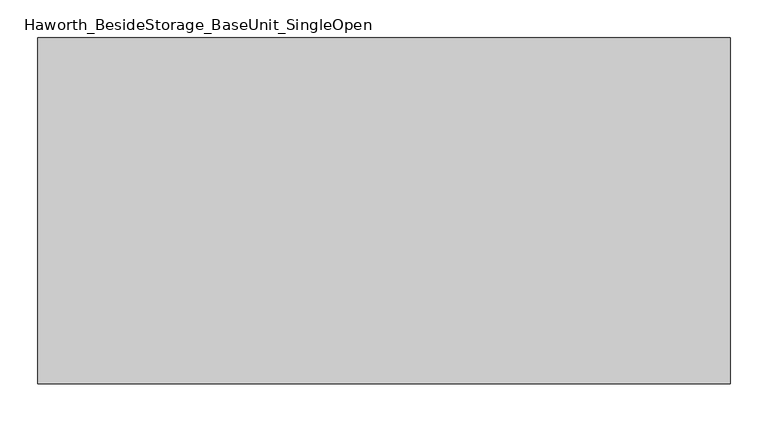
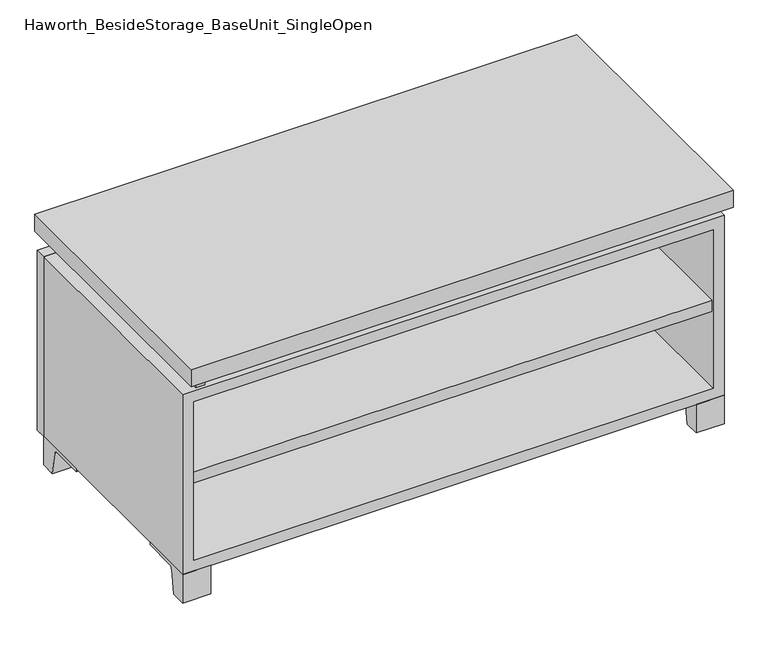
"""IFC4 building model written with IfcOpenShell, lengths in millimetres: furniture geometry, Haworth_BesideStorage_BaseUnit_SingleOpen."""

import ifcopenshell
import ifcopenshell.guid

model = None  # the IFC model being written
_history = None  # IfcOwnerHistory: only IFC2X3 demands one
_inside = {}  # id of a spatial element -> (the spatial element, [elements in it])
_under = {}  # id of a project, library or spatial element -> (it, [spatial elements below it])
_declared = {}  # id of a project -> (the project, [libraries it declares])
_typed = {}  # id of a type object -> (the type object, [elements of that type])
_made_of = {}  # id of a material, layer set ... -> (it, [elements and type objects made of it])


def new_model(schema):
    """Start an empty IFC model of exactly this schema.

    Asked for "IFC4X3", IfcOpenShell would pick the latest addendum, in which some entities
    have other attributes; the version numbers below select the first issue.
    IFC2X3 requires an IfcOwnerHistory on every rooted entity: one is made here for all.
    """
    global model, _history
    if schema == "IFC4X3":
        model = ifcopenshell.file(schema_version=(4, 3, 0, 0))
    else:
        model = ifcopenshell.file(schema=schema)
    _inside.clear()
    _under.clear()
    _declared.clear()
    _typed.clear()
    _made_of.clear()
    _history = None
    if model.schema == "IFC2X3":
        org = make("IfcOrganization", Name="unknown")
        user = make(
            "IfcPersonAndOrganization",
            ThePerson=make("IfcPerson", FamilyName="unknown"),
            TheOrganization=org,
        )
        app = make(
            "IfcApplication",
            ApplicationDeveloper=org,
            Version="unknown",
            ApplicationFullName="unknown",
            ApplicationIdentifier="unknown",
        )
        _history = make(
            "IfcOwnerHistory",
            OwningUser=user,
            OwningApplication=app,
            ChangeAction="ADDED",
            CreationDate=0,
        )
    return model


def make(cls, **values):
    """One entity of the class cls with the attributes given. An attribute that is None is left unset."""
    return model.create_entity(
        cls, **{name: value for name, value in values.items() if value is not None}
    )


def rooted(cls, **values):
    """An entity with a GlobalId (a new one), such as an element, a storey or a relation."""
    return make(cls, GlobalId=ifcopenshell.guid.new(), OwnerHistory=_history, **values)


def si_unit(unit_type, name, prefix=None):
    """IfcSIUnit, for example si_unit("LENGTHUNIT", "METRE", prefix="MILLI")."""
    return make("IfcSIUnit", UnitType=unit_type, Prefix=prefix, Name=name)


def assignment(units):
    """IfcUnitAssignment: the units of a project."""
    return None if units is None else make("IfcUnitAssignment", Units=units)


def point(xyz):
    """IfcCartesianPoint."""
    return None if xyz is None else make("IfcCartesianPoint", Coordinates=xyz)


def direction(xyz):
    """IfcDirection."""
    return None if xyz is None else make("IfcDirection", DirectionRatios=xyz)


def frame(location, z_axis=None, x_axis=None):
    """IfcAxis2Placement3D, a coordinate frame: its origin and axes. An axis left out is left unset."""
    return make(
        "IfcAxis2Placement3D",
        Location=point(location),
        Axis=direction(z_axis),
        RefDirection=direction(x_axis),
    )


def frame_2d(location, x_axis=None):
    """IfcAxis2Placement2D, a coordinate frame in the plane: its origin and x axis."""
    return make(
        "IfcAxis2Placement2D", Location=point(location), RefDirection=direction(x_axis)
    )


def origin():
    """The frame at (0, 0, 0) with its axes left unset."""
    return frame((0.0, 0.0, 0.0))


def place(relative_to, where):
    """IfcLocalPlacement: puts the frame where relative to a parent placement (None: the world)."""
    return make(
        "IfcLocalPlacement", PlacementRelTo=relative_to, RelativePlacement=where
    )


def context(
    kind, dimensions, precision=None, world=None, true_north=None, identifier=None
):
    """IfcGeometricRepresentationContext, for example the 3D "Model" context."""
    return make(
        "IfcGeometricRepresentationContext",
        ContextIdentifier=identifier,
        ContextType=kind,
        CoordinateSpaceDimension=dimensions,
        Precision=precision,
        WorldCoordinateSystem=world,
        TrueNorth=true_north,
    )


def project(units=None, contexts=None):
    """IfcProject with its units and contexts."""
    return rooted(
        "IfcProject",
        Name="project",
        RepresentationContexts=contexts,
        UnitsInContext=assignment(units),
    )


def spatial(cls, under=None, at=None, **own):
    """A site, building, storey or space (cls), placed at a placement, below another one or the project."""
    s = rooted(cls, ObjectPlacement=at, **own)
    if under is not None:
        _under.setdefault(under.id(), (under, []))[1].append(s)
    return s


def polyline(points):
    """IfcPolyline through the points."""
    return make("IfcPolyline", Points=[point(p) for p in points])


def circle_curve(where, radius):
    """IfcCircle in the frame where."""
    return make("IfcCircle", Position=where, Radius=radius)


def trimmed(basis, trim1, trim2, sense, master):
    """IfcTrimmedCurve: the piece of a basis curve between two trims."""
    return make(
        "IfcTrimmedCurve",
        BasisCurve=basis,
        Trim1=trim1,
        Trim2=trim2,
        SenseAgreement=sense,
        MasterRepresentation=master,
    )


def segment(curve, same_sense, transition):
    """IfcCompositeCurveSegment."""
    return make(
        "IfcCompositeCurveSegment",
        Transition=transition,
        SameSense=same_sense,
        ParentCurve=curve,
    )


def composite_curve(segments, self_intersect=None):
    """IfcCompositeCurve: segments joined end to end."""
    return make("IfcCompositeCurve", Segments=segments, SelfIntersect=self_intersect)


def outline(outer, holes=None, kind="AREA"):
    """IfcArbitraryClosedProfileDef: a profile drawn as a closed curve; with holes, ...WithVoids."""
    if holes is None:
        return make("IfcArbitraryClosedProfileDef", ProfileType=kind, OuterCurve=outer)
    return make(
        "IfcArbitraryProfileDefWithVoids",
        ProfileType=kind,
        OuterCurve=outer,
        InnerCurves=holes,
    )


def extrude(swept, where, along, depth):
    """IfcExtrudedAreaSolid: the profile swept, set in the frame where, extruded along a direction by depth."""
    return make(
        "IfcExtrudedAreaSolid",
        SweptArea=swept,
        Position=where,
        ExtrudedDirection=direction(along),
        Depth=depth,
    )


def shape(context_of_items, identifier, shape_type, items):
    """IfcShapeRepresentation: the items that make up one representation, for example the "Body"."""
    return make(
        "IfcShapeRepresentation",
        ContextOfItems=context_of_items,
        RepresentationIdentifier=identifier,
        RepresentationType=shape_type,
        Items=items,
    )


def source(mapping_origin, context_of_items, identifier, shape_type, items):
    """IfcRepresentationMap: a shape defined once, which mapped items show again and again."""
    return make(
        "IfcRepresentationMap",
        MappingOrigin=mapping_origin,
        MappedRepresentation=shape(context_of_items, identifier, shape_type, items),
    )


def transform(
    local_origin,
    x_axis=None,
    y_axis=None,
    z_axis=None,
    scale=None,
    scale2=None,
    scale3=None,
    uniform=True,
):
    """IfcCartesianTransformationOperator3D, or its non-uniform kind. x_axis, y_axis, z_axis: its Axis1, 2, 3."""
    if uniform:
        return make(
            "IfcCartesianTransformationOperator3D",
            Axis1=direction(x_axis),
            Axis2=direction(y_axis),
            LocalOrigin=point(local_origin),
            Scale=scale,
            Axis3=direction(z_axis),
        )
    return make(
        "IfcCartesianTransformationOperator3DnonUniform",
        Axis1=direction(x_axis),
        Axis2=direction(y_axis),
        LocalOrigin=point(local_origin),
        Scale=scale,
        Axis3=direction(z_axis),
        Scale2=scale2,
        Scale3=scale3,
    )


def mapped(mapping_source, mapping_target):
    """IfcMappedItem: shows the shape of a source again, moved by a transform."""
    return make(
        "IfcMappedItem", MappingSource=mapping_source, MappingTarget=mapping_target
    )


def made_of(thing, what):
    """Note that an element or type object is made of a material, layer set ...; save() writes the relation."""
    if what is not None:
        _made_of.setdefault(what.id(), (what, []))[1].append(thing)
    return thing


def element(
    cls,
    number,
    at=None,
    inside=None,
    cuts=None,
    type_object=None,
    material=None,
    context=None,
    identifier="Body",
    shape_type=None,
    held_by="IfcProductDefinitionShape",
    body=None,
    shapes=None,
    **own,
):
    """One element of the class cls, such as IfcWall. Its Tag is "e" and its number.

    at: its placement. inside: the storey or other place that contains it. cuts: it is an
    opening in that element (IfcRelVoidsElement). A single representation is given by context,
    identifier, shape_type and body (its items); several are given by shapes. held_by: the class
    of the entity that holds the representations. save() writes the other relations.
    """
    e = rooted(cls, Tag="e%d" % number, ObjectPlacement=at, **own)
    if body is not None:
        shapes = [shape(context, identifier, shape_type, body)]
    if shapes is not None:
        e.Representation = make(held_by, Representations=shapes)
    if inside is not None:
        _inside.setdefault(inside.id(), (inside, []))[1].append(e)
    if cuts is not None:
        rooted(
            "IfcRelVoidsElement", RelatingBuildingElement=cuts, RelatedOpeningElement=e
        )
    if type_object is not None:
        _typed.setdefault(type_object.id(), (type_object, []))[1].append(e)
    return made_of(e, material)


def aggregate(whole, parts):
    """IfcRelAggregates: a whole, such as a stair, and the parts it consists of."""
    return rooted("IfcRelAggregates", RelatingObject=whole, RelatedObjects=parts)


def save(model, path):
    """Write the relations noted so far, then the file.

    IfcRelAggregates (storeys below a building ...), IfcRelContainedInSpatialStructure (elements
    in a storey), IfcRelDefinesByType, IfcRelAssociatesMaterial and IfcRelDeclares: one each for
    every whole, place, type object, material and project.
    """
    for whole, parts in _under.values():
        aggregate(whole, parts)
    for where, things in _inside.values():
        rooted(
            "IfcRelContainedInSpatialStructure",
            RelatedElements=things,
            RelatingStructure=where,
        )
    for kind, things in _typed.values():
        rooted("IfcRelDefinesByType", RelatedObjects=things, RelatingType=kind)
    for what, things in _made_of.values():
        rooted("IfcRelAssociatesMaterial", RelatedObjects=things, RelatingMaterial=what)
    for by, libraries in _declared.values():
        rooted("IfcRelDeclares", RelatingContext=by, RelatedDefinitions=libraries)
    model.write(path)


def haworth_besidestorage_baseunit_singleopen_425a6880(model_context):
    return source(origin(), model_context, "Body", "SweptSolid", [
        extrude(outline(polyline([(438.1638906, 222.25), (438.1638906, -136.525), (-438.1361094, -136.525), (-438.1361094, 222.25), (438.1638906, 222.25)])), frame((0.0, 0.0, 205.58125), z_axis=(0.0, 0.0, 1.0), x_axis=(1.0, 0.0, 0.0)), (0.0, 0.0, 1.0), 19.05),
        extrude(outline(polyline([(457.2138906, 292.1), (457.2138906, -165.1), (-457.1861094, -165.1), (-457.1861094, 292.1), (457.2138906, 292.1)])), frame((0.0, 0.0, 401.6375), z_axis=(0.0, 0.0, 1.0), x_axis=(1.0, 0.0, 0.0)), (0.0, 0.0, 1.0), 30.1625),
        extrude(outline(composite_curve([segment(polyline([(-114.3000136, 0.0), (-139.7, 0.0), (-139.7, 50.8), (-44.45, 50.8), (-44.45, 46.0213321), (-101.2505345, 46.0213321)]), True, "CONTINUOUS"), segment(trimmed(circle_curve(frame_2d((-101.2505345, 39.6713321)), 6.35), [point((-101.2505345, 46.0213321))], [point((-107.5141359, 40.7152656))], True, "CARTESIAN"), True, "CONTINUOUS"), segment(polyline([(-107.5141359, 40.7152656), (-114.3000136, 0.0)]), True, "CONTINUOUS")], self_intersect=False)), frame((409.5888906, 0.0, 0.0), z_axis=(1.0, 0.0, 0.0), x_axis=(0.0, 1.0, 0.0)), (0.0, 0.0, 1.0), 47.625),
        extrude(outline(composite_curve([segment(polyline([(241.3000136, 0.0), (234.5141359, 40.7152656)]), True, "CONTINUOUS"), segment(trimmed(circle_curve(frame_2d((228.2505345, 39.6713321)), 6.35), [point((234.5141359, 40.7152656))], [point((228.2505345, 46.0213321))], True, "CARTESIAN"), True, "CONTINUOUS"), segment(polyline([(228.2505345, 46.0213321), (171.45, 46.0213321), (171.45, 50.8), (266.7, 50.8), (266.7, 0.0), (241.3000136, 0.0)]), True, "CONTINUOUS")], self_intersect=False)), frame((409.5888906, 0.0, 0.0), z_axis=(1.0, 0.0, 0.0), x_axis=(0.0, 1.0, 0.0)), (0.0, 0.0, 1.0), 47.625),
        extrude(outline(composite_curve([segment(polyline([(-114.3000136, 0.0), (-139.7, 0.0), (-139.7, 50.8), (-44.45, 50.8), (-44.45, 46.0213321), (-101.2505345, 46.0213321)]), True, "CONTINUOUS"), segment(trimmed(circle_curve(frame_2d((-101.2505345, 39.6713321)), 6.35), [point((-101.2505345, 46.0213321))], [point((-107.5141359, 40.7152656))], True, "CARTESIAN"), True, "CONTINUOUS"), segment(polyline([(-107.5141359, 40.7152656), (-114.3000136, 0.0)]), True, "CONTINUOUS")], self_intersect=False)), frame((-457.1861094, 0.0, 0.0), z_axis=(1.0, 0.0, 0.0), x_axis=(0.0, 1.0, 0.0)), (0.0, 0.0, 1.0), 47.625),
        extrude(outline(composite_curve([segment(polyline([(241.3000136, 0.0), (234.5141359, 40.7152656)]), True, "CONTINUOUS"), segment(trimmed(circle_curve(frame_2d((228.2505345, 39.6713321)), 6.35), [point((234.5141359, 40.7152656))], [point((228.2505345, 46.0213321))], True, "CARTESIAN"), True, "CONTINUOUS"), segment(polyline([(228.2505345, 46.0213321), (171.45, 46.0213321), (171.45, 50.8), (266.7, 50.8), (266.7, 0.0), (241.3000136, 0.0)]), True, "CONTINUOUS")], self_intersect=False)), frame((-457.1861094, 0.0, 0.0), z_axis=(1.0, 0.0, 0.0), x_axis=(0.0, 1.0, 0.0)), (0.0, 0.0, 1.0), 47.625),
        extrude(outline(polyline([(-431.7791641, -133.35), (-431.7791641, 234.95), (-415.9041641, 234.95), (-415.9041641, 73.025), (415.9111094, 73.025), (415.9111094, 247.65), (431.7861094, 247.65), (431.7861094, -120.65), (415.9111094, -120.65), (415.9111094, 53.975), (-415.9041641, 53.975), (-415.9041641, -133.35), (-431.7791641, -133.35)])), frame((0.0, 0.0, 371.475), z_axis=(0.0, 0.0, 1.0), x_axis=(1.0, 0.0, 0.0)), (0.0, 0.0, 1.0), 30.1625),
        extrude(outline(polyline([(457.2138906, 266.7), (-457.1861094, 266.7), (-457.1861094, 285.75), (457.2138906, 285.75), (457.2138906, 266.7)])), frame((0.0, 0.0, 50.8), z_axis=(0.0, 0.0, 1.0), x_axis=(1.0, 0.0, 0.0)), (0.0, 0.0, 1.0), 320.675),
        extrude(outline(polyline([(50.8, -457.1861094), (50.8, 457.2138906), (371.475, 457.2138906), (371.475, -457.1861094), (50.8, -457.1861094)]), holes=[polyline([(69.85, -438.1361094), (352.425, -438.1361094), (352.425, 438.1569453), (69.85, 438.1569453), (69.85, -438.1361094)])]), frame((0.0, -139.7, 0.0), z_axis=(0.0, 1.0, 0.0), x_axis=(0.0, 0.0, 1.0)), (0.0, 0.0, 1.0), 406.4),
        extrude(outline(polyline([(-438.1291641, 234.95), (-438.1291641, 241.3), (438.1569453, 241.3), (438.1569453, 234.95), (-438.1291641, 234.95)])), frame((0.0, 0.0, 69.85), z_axis=(0.0, 0.0, 1.0), x_axis=(1.0, 0.0, 0.0)), (0.0, 0.0, 1.0), 282.575),
    ])


if __name__ == "__main__":
    model = new_model("IFC4")
    model_context = context("Model", 3, world=origin())
    ifc_project = project(units=[si_unit("LENGTHUNIT", "METRE", prefix="MILLI")], contexts=[model_context])
    site = spatial("IfcSite", under=ifc_project)
    building = spatial("IfcBuilding", under=site)
    placement = place(None, origin())
    haworth_besidestorage_baseunit_singleopen_shape = haworth_besidestorage_baseunit_singleopen_425a6880(model_context)
    element("IfcFurniture", 1, ObjectType="Haworth_BesideStorage_BaseUnit_SingleOpen", at=placement, inside=building, context=model_context, shape_type="MappedRepresentation", body=[
        mapped(haworth_besidestorage_baseunit_singleopen_shape, transform((0.0, 0.0, 0.0), x_axis=(1.0, 0.0, 0.0), y_axis=(0.0, 1.0, 0.0), z_axis=(0.0, 0.0, 1.0))),
    ])
    save(model, "model.ifc")
